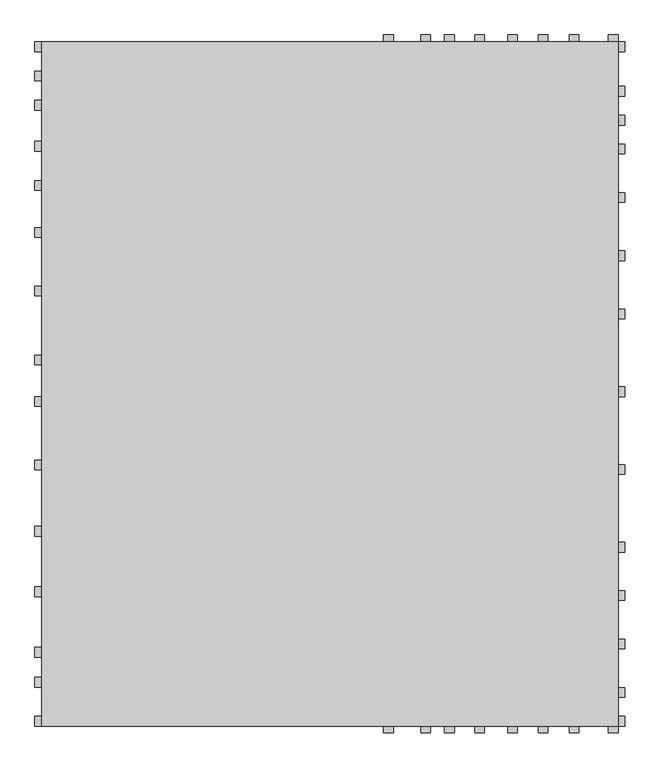
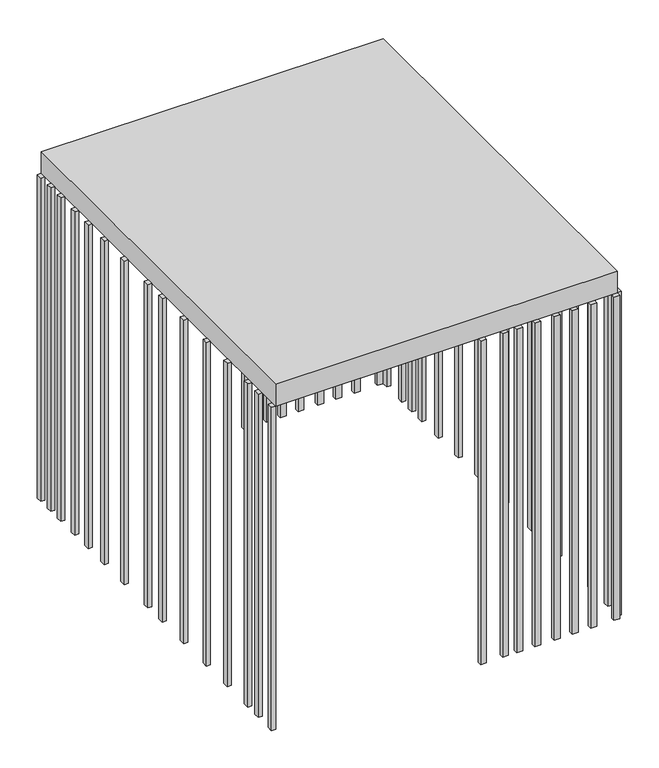
"""IFC4 building model written with IfcOpenShell, lengths in millimetres: proxy geometry."""

from ifc_helpers import new_model, si_unit, frame, origin, origin_with_axes, place, context, project, spatial, polyline, outline, extrude, source, transform, mapped, element, save


def generic_models_066768b4(model_context):
    return source(origin(), model_context, "Body", "SweptSolid", [
        extrude(outline(polyline([(-5970.0, 0.0), (-5970.0, 100.0), (-5900.0, 100.0), (-5900.0, 0.0), (-5970.0, 0.0)])), frame((0.0, 0.0, -5900.0), z_axis=(0.0, 0.0, 1.0), x_axis=(1.0, 0.0, 0.0)), (0.0, 0.0, 1.0), 5900.0),
        extrude(outline(polyline([(-5970.0, 400.0), (-5970.0, 500.0), (-5900.0, 500.0), (-5900.0, 400.0), (-5970.0, 400.0)])), frame((0.0, 0.0, -5900.0), z_axis=(0.0, 0.0, 1.0), x_axis=(1.0, 0.0, 0.0)), (0.0, 0.0, 1.0), 5900.0),
        extrude(outline(polyline([(-5970.0, 706.7102779), (-5970.0, 806.7102779), (-5900.0, 806.7102779), (-5900.0, 706.7102779), (-5970.0, 706.7102779)])), frame((0.0, 0.0, -5900.0), z_axis=(0.0, 0.0, 1.0), x_axis=(1.0, 0.0, 0.0)), (0.0, 0.0, 1.0), 5900.0),
        extrude(outline(polyline([(-5970.0, 1323.8206399), (-5970.0, 1423.8206399), (-5900.0, 1423.8206399), (-5900.0, 1323.8206399), (-5970.0, 1323.8206399)])), frame((0.0, 0.0, -5900.0), z_axis=(0.0, 0.0, 1.0), x_axis=(1.0, 0.0, 0.0)), (0.0, 0.0, 1.0), 5900.0),
        extrude(outline(polyline([(-5970.0, 1944.2979319), (-5970.0, 2044.2979319), (-5900.0, 2044.2979319), (-5900.0, 1944.2979319), (-5970.0, 1944.2979319)])), frame((0.0, 0.0, -5900.0), z_axis=(0.0, 0.0, 1.0), x_axis=(1.0, 0.0, 0.0)), (0.0, 0.0, 1.0), 5900.0),
        extrude(outline(polyline([(-5970.0, 2621.3422955), (-5970.0, 2721.3422955), (-5900.0, 2721.3422955), (-5900.0, 2621.3422955), (-5970.0, 2621.3422955)])), frame((0.0, 0.0, -5900.0), z_axis=(0.0, 0.0, 1.0), x_axis=(1.0, 0.0, 0.0)), (0.0, 0.0, 1.0), 5900.0),
        extrude(outline(polyline([(-5970.0, 3271.2), (-5970.0, 3371.2), (-5900.0, 3371.2), (-5900.0, 3271.2), (-5970.0, 3271.2)])), frame((0.0, 0.0, -5900.0), z_axis=(0.0, 0.0, 1.0), x_axis=(1.0, 0.0, 0.0)), (0.0, 0.0, 1.0), 5900.0),
        extrude(outline(polyline([(-5970.0, 3694.9391531), (-5970.0, 3794.9391531), (-5900.0, 3794.9391531), (-5900.0, 3694.9391531), (-5970.0, 3694.9391531)])), frame((0.0, 0.0, -5900.0), z_axis=(0.0, 0.0, 1.0), x_axis=(1.0, 0.0, 0.0)), (0.0, 0.0, 1.0), 5900.0),
        extrude(outline(polyline([(-5970.0, 4400.0), (-5970.0, 4500.0), (-5900.0, 4500.0), (-5900.0, 4400.0), (-5970.0, 4400.0)])), frame((0.0, 0.0, -5900.0), z_axis=(0.0, 0.0, 1.0), x_axis=(1.0, 0.0, 0.0)), (0.0, 0.0, 1.0), 5900.0),
        extrude(outline(polyline([(-5970.0, 5000.0), (-5970.0, 5100.0), (-5900.0, 5100.0), (-5900.0, 5000.0), (-5970.0, 5000.0)])), frame((0.0, 0.0, -5900.0), z_axis=(0.0, 0.0, 1.0), x_axis=(1.0, 0.0, 0.0)), (0.0, 0.0, 1.0), 5900.0),
        extrude(outline(polyline([(-5970.0, 5480.0), (-5970.0, 5580.0), (-5900.0, 5580.0), (-5900.0, 5480.0), (-5970.0, 5480.0)])), frame((0.0, 0.0, -5900.0), z_axis=(0.0, 0.0, 1.0), x_axis=(1.0, 0.0, 0.0)), (0.0, 0.0, 1.0), 5900.0),
        extrude(outline(polyline([(-5970.0, 5880.0), (-5970.0, 5980.0), (-5900.0, 5980.0), (-5900.0, 5880.0), (-5970.0, 5880.0)])), frame((0.0, 0.0, -5900.0), z_axis=(0.0, 0.0, 1.0), x_axis=(1.0, 0.0, 0.0)), (0.0, 0.0, 1.0), 5900.0),
        extrude(outline(polyline([(-5970.0, 6300.0), (-5970.0, 6400.0), (-5900.0, 6400.0), (-5900.0, 6300.0), (-5970.0, 6300.0)])), frame((0.0, 0.0, -5900.0), z_axis=(0.0, 0.0, 1.0), x_axis=(1.0, 0.0, 0.0)), (0.0, 0.0, 1.0), 5900.0),
        extrude(outline(polyline([(-5970.0, 6600.0), (-5970.0, 6700.0), (-5900.0, 6700.0), (-5900.0, 6600.0), (-5970.0, 6600.0)])), frame((0.0, 0.0, -5900.0), z_axis=(0.0, 0.0, 1.0), x_axis=(1.0, 0.0, 0.0)), (0.0, 0.0, 1.0), 5900.0),
        extrude(outline(polyline([(-5970.0, 6900.0), (-5970.0, 7000.0), (-5900.0, 7000.0), (-5900.0, 6900.0), (-5970.0, 6900.0)])), frame((0.0, 0.0, -5900.0), z_axis=(0.0, 0.0, 1.0), x_axis=(1.0, 0.0, 0.0)), (0.0, 0.0, 1.0), 5900.0),
        extrude(outline(polyline([(-2400.0, 0.0), (-2300.0, 0.0), (-2300.0, -70.0), (-2400.0, -70.0), (-2400.0, 0.0)])), frame((0.0, 0.0, -5900.0), z_axis=(0.0, 0.0, 1.0), x_axis=(1.0, 0.0, 0.0)), (0.0, 0.0, 1.0), 5900.0),
        extrude(outline(polyline([(-2020.7203316, 0.0), (-1920.7203316, 0.0), (-1920.7203316, -70.0), (-2020.7203316, -70.0), (-2020.7203316, 0.0)])), frame((0.0, 0.0, -5900.0), z_axis=(0.0, 0.0, 1.0), x_axis=(1.0, 0.0, 0.0)), (0.0, 0.0, 1.0), 5900.0),
        extrude(outline(polyline([(-100.0, 0.0), (0.0, 0.0), (0.0, -70.0), (-100.0, -70.0), (-100.0, 0.0)])), frame((0.0, 0.0, -5900.0), z_axis=(0.0, 0.0, 1.0), x_axis=(1.0, 0.0, 0.0)), (0.0, 0.0, 1.0), 5900.0),
        extrude(outline(polyline([(-500.2767301, 0.0), (-400.2767301, 0.0), (-400.2767301, -70.0), (-500.2767301, -70.0), (-500.2767301, 0.0)])), frame((0.0, 0.0, -5900.0), z_axis=(0.0, 0.0, 1.0), x_axis=(1.0, 0.0, 0.0)), (0.0, 0.0, 1.0), 5900.0),
        extrude(outline(polyline([(-1777.1656023, 0.0), (-1677.1656023, 0.0), (-1677.1656023, -70.0), (-1777.1656023, -70.0), (-1777.1656023, 0.0)])), frame((0.0, 0.0, -5900.0), z_axis=(0.0, 0.0, 1.0), x_axis=(1.0, 0.0, 0.0)), (0.0, 0.0, 1.0), 5900.0),
        extrude(outline(polyline([(-1467.4018203, 0.0), (-1367.4018203, 0.0), (-1367.4018203, -70.0), (-1467.4018203, -70.0), (-1467.4018203, 0.0)])), frame((0.0, 0.0, -5900.0), z_axis=(0.0, 0.0, 1.0), x_axis=(1.0, 0.0, 0.0)), (0.0, 0.0, 1.0), 5900.0),
        extrude(outline(polyline([(-1129.2627301, 0.0), (-1029.2627301, 0.0), (-1029.2627301, -70.0), (-1129.2627301, -70.0), (-1129.2627301, 0.0)])), frame((0.0, 0.0, -5900.0), z_axis=(0.0, 0.0, 1.0), x_axis=(1.0, 0.0, 0.0)), (0.0, 0.0, 1.0), 5900.0),
        extrude(outline(polyline([(-818.5582557, 0.0), (-718.5582557, 0.0), (-718.5582557, -70.0), (-818.5582557, -70.0), (-818.5582557, 0.0)])), frame((0.0, 0.0, -5900.0), z_axis=(0.0, 0.0, 1.0), x_axis=(1.0, 0.0, 0.0)), (0.0, 0.0, 1.0), 5900.0),
        extrude(outline(polyline([(-2400.0, 7070.0), (-2300.0, 7070.0), (-2300.0, 7000.0), (-2400.0, 7000.0), (-2400.0, 7070.0)])), frame((0.0, 0.0, -5900.0), z_axis=(0.0, 0.0, 1.0), x_axis=(1.0, 0.0, 0.0)), (0.0, 0.0, 1.0), 5900.0),
        extrude(outline(polyline([(-2020.7203316, 7070.0), (-1920.7203316, 7070.0), (-1920.7203316, 7000.0), (-2020.7203316, 7000.0), (-2020.7203316, 7070.0)])), frame((0.0, 0.0, -5900.0), z_axis=(0.0, 0.0, 1.0), x_axis=(1.0, 0.0, 0.0)), (0.0, 0.0, 1.0), 5900.0),
        extrude(outline(polyline([(-100.0, 7070.0), (0.0, 7070.0), (0.0, 7000.0), (-100.0, 7000.0), (-100.0, 7070.0)])), frame((0.0, 0.0, -5900.0), z_axis=(0.0, 0.0, 1.0), x_axis=(1.0, 0.0, 0.0)), (0.0, 0.0, 1.0), 5900.0),
        extrude(outline(polyline([(-500.2767301, 7070.0), (-400.2767301, 7070.0), (-400.2767301, 7000.0), (-500.2767301, 7000.0), (-500.2767301, 7070.0)])), frame((0.0, 0.0, -5900.0), z_axis=(0.0, 0.0, 1.0), x_axis=(1.0, 0.0, 0.0)), (0.0, 0.0, 1.0), 5900.0),
        extrude(outline(polyline([(-1777.1656023, 7070.0), (-1677.1656023, 7070.0), (-1677.1656023, 7000.0), (-1777.1656023, 7000.0), (-1777.1656023, 7070.0)])), frame((0.0, 0.0, -5900.0), z_axis=(0.0, 0.0, 1.0), x_axis=(1.0, 0.0, 0.0)), (0.0, 0.0, 1.0), 5900.0),
        extrude(outline(polyline([(-1467.4018203, 7070.0), (-1367.4018203, 7070.0), (-1367.4018203, 7000.0), (-1467.4018203, 7000.0), (-1467.4018203, 7070.0)])), frame((0.0, 0.0, -5900.0), z_axis=(0.0, 0.0, 1.0), x_axis=(1.0, 0.0, 0.0)), (0.0, 0.0, 1.0), 5900.0),
        extrude(outline(polyline([(-1129.2627301, 7070.0), (-1029.2627301, 7070.0), (-1029.2627301, 7000.0), (-1129.2627301, 7000.0), (-1129.2627301, 7070.0)])), frame((0.0, 0.0, -5900.0), z_axis=(0.0, 0.0, 1.0), x_axis=(1.0, 0.0, 0.0)), (0.0, 0.0, 1.0), 5900.0),
        extrude(outline(polyline([(-818.5582557, 7070.0), (-718.5582557, 7070.0), (-718.5582557, 7000.0), (-818.5582557, 7000.0), (-818.5582557, 7070.0)])), frame((0.0, 0.0, -5900.0), z_axis=(0.0, 0.0, 1.0), x_axis=(1.0, 0.0, 0.0)), (0.0, 0.0, 1.0), 5900.0),
        extrude(outline(polyline([(70.0, 7000.0), (70.0, 6900.0), (0.0, 6900.0), (0.0, 7000.0), (70.0, 7000.0)])), frame((0.0, 0.0, -5900.0), z_axis=(0.0, 0.0, 1.0), x_axis=(1.0, 0.0, 0.0)), (0.0, 0.0, 1.0), 5900.0),
        extrude(outline(polyline([(70.0, 6542.4), (70.0, 6442.4), (0.0, 6442.4), (0.0, 6542.4), (70.0, 6542.4)])), frame((0.0, 0.0, -5900.0), z_axis=(0.0, 0.0, 1.0), x_axis=(1.0, 0.0, 0.0)), (0.0, 0.0, 1.0), 5900.0),
        extrude(outline(polyline([(70.0, 6247.2), (70.0, 6147.2), (0.0, 6147.2), (0.0, 6247.2), (70.0, 6247.2)])), frame((0.0, 0.0, -5900.0), z_axis=(0.0, 0.0, 1.0), x_axis=(1.0, 0.0, 0.0)), (0.0, 0.0, 1.0), 5900.0),
        extrude(outline(polyline([(70.0, 5952.0), (70.0, 5852.0), (0.0, 5852.0), (0.0, 5952.0), (70.0, 5952.0)])), frame((0.0, 0.0, -5900.0), z_axis=(0.0, 0.0, 1.0), x_axis=(1.0, 0.0, 0.0)), (0.0, 0.0, 1.0), 5900.0),
        extrude(outline(polyline([(70.0, 5456.8), (70.0, 5356.8), (0.0, 5356.8), (0.0, 5456.8), (70.0, 5456.8)])), frame((0.0, 0.0, -5900.0), z_axis=(0.0, 0.0, 1.0), x_axis=(1.0, 0.0, 0.0)), (0.0, 0.0, 1.0), 5900.0),
        extrude(outline(polyline([(70.0, 4861.6), (70.0, 4761.6), (0.0, 4761.6), (0.0, 4861.6), (70.0, 4861.6)])), frame((0.0, 0.0, -5900.0), z_axis=(0.0, 0.0, 1.0), x_axis=(1.0, 0.0, 0.0)), (0.0, 0.0, 1.0), 5900.0),
        extrude(outline(polyline([(70.0, 4266.4), (70.0, 4166.4), (0.0, 4166.4), (0.0, 4266.4), (70.0, 4266.4)])), frame((0.0, 0.0, -5900.0), z_axis=(0.0, 0.0, 1.0), x_axis=(1.0, 0.0, 0.0)), (0.0, 0.0, 1.0), 5900.0),
        extrude(outline(polyline([(70.0, 3471.2), (70.0, 3371.2), (0.0, 3371.2), (0.0, 3471.2), (70.0, 3471.2)])), frame((0.0, 0.0, -5900.0), z_axis=(0.0, 0.0, 1.0), x_axis=(1.0, 0.0, 0.0)), (0.0, 0.0, 1.0), 5900.0),
        extrude(outline(polyline([(70.0, 2676.0), (70.0, 2576.0), (0.0, 2576.0), (0.0, 2676.0), (70.0, 2676.0)])), frame((0.0, 0.0, -5900.0), z_axis=(0.0, 0.0, 1.0), x_axis=(1.0, 0.0, 0.0)), (0.0, 0.0, 1.0), 5900.0),
        extrude(outline(polyline([(70.0, 1880.8), (70.0, 1780.8), (0.0, 1780.8), (0.0, 1880.8), (70.0, 1880.8)])), frame((0.0, 0.0, -5900.0), z_axis=(0.0, 0.0, 1.0), x_axis=(1.0, 0.0, 0.0)), (0.0, 0.0, 1.0), 5900.0),
        extrude(outline(polyline([(70.0, 1385.6), (70.0, 1285.6), (0.0, 1285.6), (0.0, 1385.6), (70.0, 1385.6)])), frame((0.0, 0.0, -5900.0), z_axis=(0.0, 0.0, 1.0), x_axis=(1.0, 0.0, 0.0)), (0.0, 0.0, 1.0), 5900.0),
        extrude(outline(polyline([(70.0, 890.4), (70.0, 790.4), (0.0, 790.4), (0.0, 890.4), (70.0, 890.4)])), frame((0.0, 0.0, -5900.0), z_axis=(0.0, 0.0, 1.0), x_axis=(1.0, 0.0, 0.0)), (0.0, 0.0, 1.0), 5900.0),
        extrude(outline(polyline([(70.0, 395.2), (70.0, 295.2), (0.0, 295.2), (0.0, 395.2), (70.0, 395.2)])), frame((0.0, 0.0, -5900.0), z_axis=(0.0, 0.0, 1.0), x_axis=(1.0, 0.0, 0.0)), (0.0, 0.0, 1.0), 5900.0),
        extrude(outline(polyline([(70.0, 100.0), (70.0, 0.0), (0.0, 0.0), (0.0, 100.0), (70.0, 100.0)])), frame((0.0, 0.0, -5900.0), z_axis=(0.0, 0.0, 1.0), x_axis=(1.0, 0.0, 0.0)), (0.0, 0.0, 1.0), 5900.0),
        extrude(outline(polyline([(-5900.0, 7000.0), (0.0, 7000.0), (0.0, 0.0), (-5900.0, 0.0), (-5900.0, 7000.0)])), origin_with_axes(), (0.0, 0.0, 1.0), 393.3333333),
    ])


if __name__ == "__main__":
    model = new_model("IFC4")
    model_context = context("Model", 3, world=origin())
    ifc_project = project(units=[si_unit("LENGTHUNIT", "METRE", prefix="MILLI")], contexts=[model_context])
    site = spatial("IfcSite", under=ifc_project)
    building = spatial("IfcBuilding", under=site)
    placement = place(None, origin())
    generic_models_shape = generic_models_066768b4(model_context)
    element("IfcBuildingElementProxy", 1, Name="Generic Models", at=placement, inside=building, context=model_context, shape_type="MappedRepresentation", body=[
        mapped(generic_models_shape, transform((0.0, 0.0, 0.0), x_axis=(1.0, 0.0, 0.0), y_axis=(0.0, 1.0, 0.0), z_axis=(0.0, 0.0, 1.0))),
    ])
    save(model, "model.ifc")
